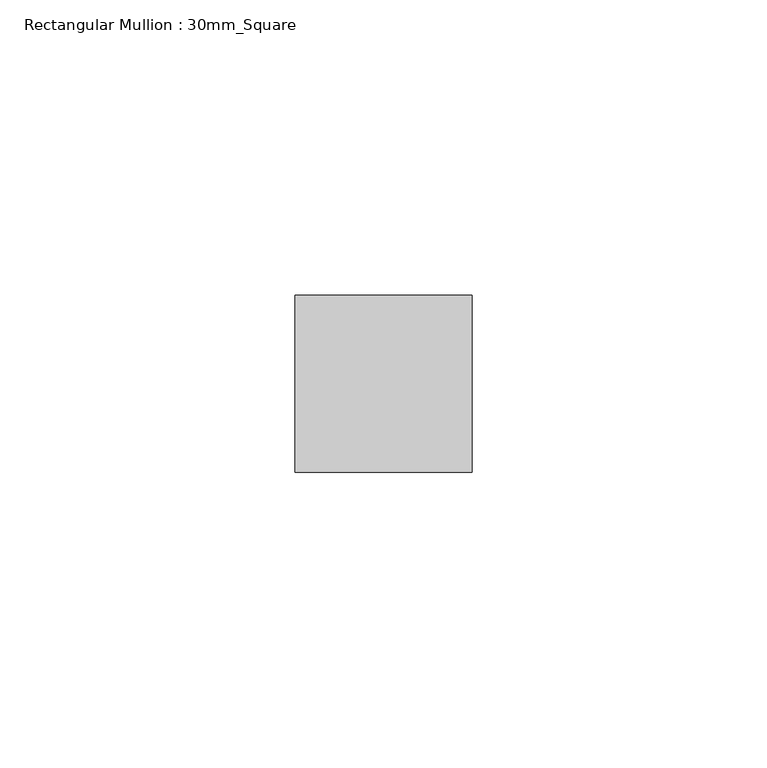
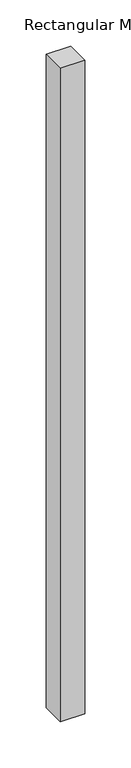
"""IFC4 building model written with IfcOpenShell, lengths in millimetres: member geometry, Rectangular Mullion : 30mm_Square."""

from ifc_helpers import new_model, si_unit, frame, origin, place, context, project, spatial, polyline, outline, extrude, source, transform, mapped, element, save


def rectangular_mullion_30mm_square_9d30fcc5(model_context):
    return source(origin(), model_context, "Body", "SweptSolid", [
        extrude(outline(polyline([(0.0, 15.0), (0.0, -15.0), (-30.0, -15.0), (-30.0, 15.0), (0.0, 15.0)])), frame((0.0, 0.0, -858.4633611), z_axis=(0.0, 0.0, 1.0), x_axis=(1.0, 0.0, 0.0)), (0.0, 0.0, 1.0), 858.4633611),
    ])


if __name__ == "__main__":
    model = new_model("IFC4")
    model_context = context("Model", 3, world=origin())
    ifc_project = project(units=[si_unit("LENGTHUNIT", "METRE", prefix="MILLI")], contexts=[model_context])
    site = spatial("IfcSite", under=ifc_project)
    building = spatial("IfcBuilding", under=site)
    placement = place(None, origin())
    rectangular_mullion_30mm_square_shape = rectangular_mullion_30mm_square_9d30fcc5(model_context)
    element("IfcMember", 1, ObjectType="Rectangular Mullion : 30mm_Square", at=placement, inside=building, context=model_context, shape_type="MappedRepresentation", body=[
        mapped(rectangular_mullion_30mm_square_shape, transform((0.0, 0.0, 0.0), x_axis=(1.0, 0.0, 0.0), y_axis=(0.0, 1.0, 0.0), z_axis=(0.0, 0.0, 1.0))),
    ])
    save(model, "model.ifc")
